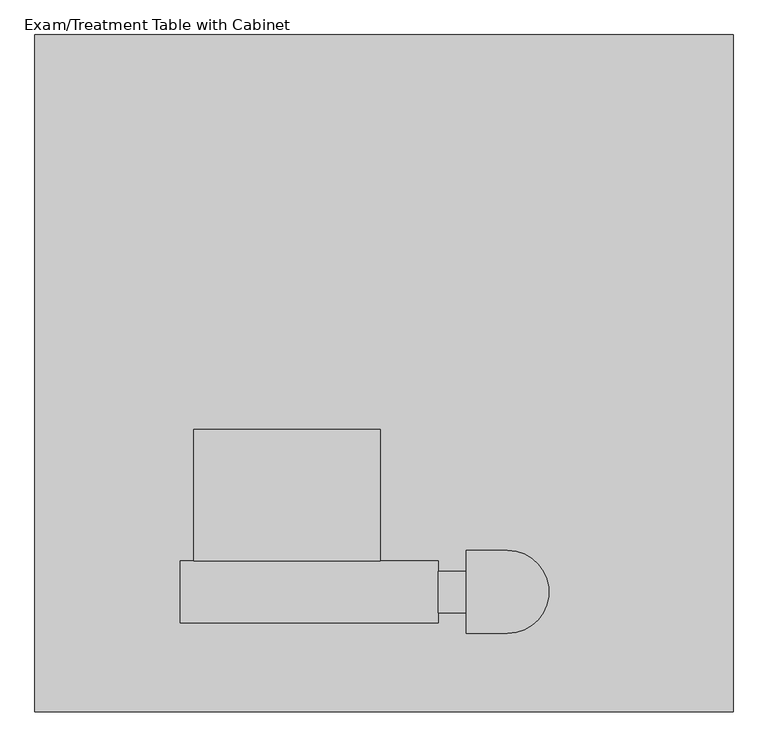
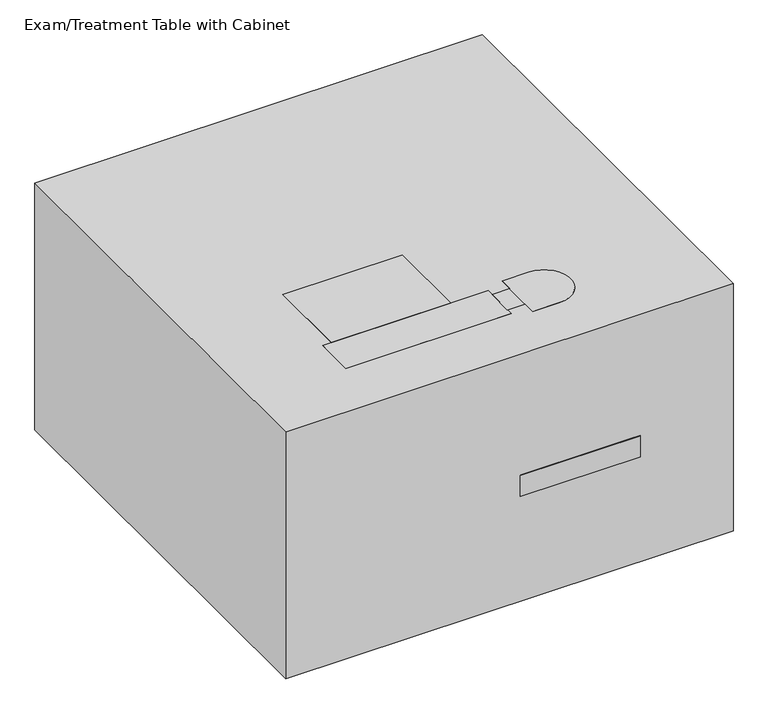
"""IFC4 building model written with IfcOpenShell, lengths in millimetres: proxy geometry, Exam/Treatment Table with Cabinet."""

from ifc_helpers import new_model, si_unit, point, frame, frame_2d, origin, origin_with_axes, place, context, project, spatial, polyline, circle_curve, trimmed, segment, composite_curve, outline, extrude, faceted_brep, source, transform, mapped, element, save


def exam_treatment_table_with_cabinet_3de70716(model_context):
    return source(origin(), model_context, "Body", "SolidModel", [
        faceted_brep([(-537.5197271, -809.3572424, 1127.107752), (-537.5197271, -859.9886234, 1127.107752), (-54.9197271, -859.9886234, 1127.107752), (-54.9197271, -809.3572424, 1127.107752), (-537.5197271, -809.3572424, 847.707752), (-54.9197271, -809.3572424, 847.707752), (-54.9197271, -859.9886234, 847.707752), (-537.5197271, -859.9886234, 847.707752), (-67.6197271, -859.9886234, 1114.407752), (-67.6197271, -859.9886234, 860.407752), (-524.8197271, -859.9886234, 860.407752), (-524.8197271, -859.9886234, 1114.407752), (-524.8197271, -855.202421, 1114.407752), (-67.6197271, -855.202421, 1114.407752), (-524.8197271, -855.202421, 860.407752), (-67.6197271, -855.202421, 860.407752)], [[[0, 1, 2, 3]], [[4, 5, 6, 7]], [[3, 5, 4, 0]], [[2, 6, 5, 3]], [[1, 7, 6, 2], [8, 9, 10, 11]], [[0, 4, 7, 1]], [[12, 13, 8, 11]], [[14, 10, 9, 15]], [[12, 14, 15, 13]], [[13, 15, 9, 8]], [[11, 10, 14, 12]]]),
        extrude(outline(polyline([(-1158.5229329, 708.007752), (-1006.1229329, 720.707752), (-1006.1229329, 695.307752), (-1158.5229329, 695.307752), (-1158.5229329, 708.007752)])), frame((-537.5197271, 0.0, 0.0), z_axis=(1.0, 0.0, 0.0), x_axis=(0.0, 1.0, 0.0)), (0.0, 0.0, 1.0), 482.6),
        faceted_brep([(-443.4415667, -942.6229329, 720.707752), (-443.4415667, -726.7229329, 720.707752), (-443.4415667, -726.7229329, 695.307752), (-443.4415667, -942.6229329, 695.307752), (-148.9978876, -726.7229329, 720.707752), (-148.9978876, -942.6229329, 720.707752), (-148.9978876, -942.6229329, 695.307752), (-148.9978876, -726.7229329, 695.307752), (-333.1882957, -745.8572424, 727.057752), (-259.2511585, -745.8572424, 727.057752), (-259.2511585, -745.8572424, 720.707752), (-333.1882957, -745.8572424, 720.707752), (-333.1882957, -745.8572424, 987.407752), (-259.2511585, -745.8572424, 987.407752), (-333.1882957, -809.3572424, 987.407752), (-259.2511585, -809.3572424, 987.407752), (-333.1882957, -809.3572424, 936.607752), (-259.2511585, -809.3572424, 936.607752), (-333.1882957, -771.2572424, 936.607752), (-259.2511585, -771.2572424, 936.607752), (-333.1882957, -771.2572424, 720.707752), (-259.2511585, -771.2572424, 720.707752)], [[[0, 1, 2, 3]], [[4, 5, 6, 7]], [[8, 9, 10, 11]], [[12, 13, 9, 8]], [[14, 15, 13, 12]], [[16, 17, 15, 14]], [[18, 19, 17, 16]], [[20, 21, 19, 18]], [[0, 5, 4, 1], [11, 10, 21, 20]], [[3, 6, 5, 0]], [[2, 7, 6, 3]], [[1, 4, 7, 2]], [[20, 18, 16, 14, 12, 8, 11]], [[10, 9, 13, 15, 17, 19, 21]]]),
        extrude(outline(polyline([(1498.6, -699.7212177), (0.0, -699.7212177), (0.0, 143.8602617), (558.8, 143.8602617), (558.8, -13.9212177), (1498.6, -13.9212177), (1498.6, -699.7212177)])), frame((0.0, -689.2200075, 0.0), z_axis=(0.0, 1.0, 0.0), x_axis=(0.0, 0.0, 1.0)), (0.0, 0.0, 1.0), 482.6),
        extrude(outline(composite_curve([segment(trimmed(circle_curve(frame_2d((-1099.3470294, 708.007752)), 12.7), [point((-1112.0470294, 708.007752))], [point((-1099.3470294, 720.707752))], False, "CARTESIAN"), True, "CONTINUOUS"), segment(polyline([(-1099.3470294, 720.707752), (-1061.2470294, 720.707752), (-1030.5788844, 712.4902474), (-1030.5788844, 695.307752), (-1112.0470294, 695.307752), (-1112.0470294, 708.007752)]), True, "CONTINUOUS")], self_intersect=False)), frame((-638.1969279, 0.0, 0.0), z_axis=(1.0, 0.0, 0.0), x_axis=(0.0, 1.0, 0.0)), (0.0, 0.0, 1.0), 50.8),
        extrude(outline(polyline([(744.511628, -461.554961), (744.511628, -474.254961), (739.757752, -474.254961), (739.757752, -471.1212177), (669.907752, -471.1212177), (669.907752, -474.254961), (660.4, -474.254961), (660.4, -461.554961), (669.907752, -461.554961), (669.907752, -464.6887043), (739.757752, -464.6887043), (739.757752, -461.554961), (744.511628, -461.554961)])), frame((0.0, -711.5954237, 0.0), z_axis=(0.0, 1.0, 0.0), x_axis=(0.0, 0.0, 1.0)), (0.0, 0.0, 1.0), 22.3754162),
        extrude(outline(polyline([(-474.254961, -965.3280091), (-474.254961, -711.5954237), (-461.554961, -711.5954237), (-461.554961, -965.3280091), (-474.254961, -965.3280091)])), frame((0.0, 0.0, 660.4), z_axis=(0.0, 0.0, 1.0), x_axis=(1.0, 0.0, 0.0)), (0.0, 0.0, 1.0), 9.507752),
        extrude(outline(polyline([(-252.0874744, -965.3280091), (-252.0874744, -711.5954237), (-239.3874744, -711.5954237), (-239.3874744, -965.3280091), (-252.0874744, -965.3280091)])), frame((0.0, 0.0, 660.4), z_axis=(0.0, 0.0, 1.0), x_axis=(1.0, 0.0, 0.0)), (0.0, 0.0, 1.0), 9.507752),
        extrude(outline(composite_curve([segment(polyline([(-547.3212177, -711.5954237), (-166.3212177, -711.5954237)]), True, "CONTINUOUS"), segment(trimmed(circle_curve(frame_2d((-166.3212177, -863.9954237)), 152.4), [point((-166.3212177, -711.5954237))], [point((-13.9212177, -863.9954237))], False, "CARTESIAN"), True, "CONTINUOUS"), segment(polyline([(-13.9212177, -863.9954237), (-13.9212177, -1082.3229329)]), True, "CONTINUOUS"), segment(trimmed(circle_curve(frame_2d((-90.1212177, -1082.3229329)), 76.2), [point((-13.9212177, -1082.3229329))], [point((-90.1212177, -1158.5229329))], False, "CARTESIAN"), True, "CONTINUOUS"), segment(polyline([(-90.1212177, -1158.5229329), (-623.5212177, -1158.5229329)]), True, "CONTINUOUS"), segment(trimmed(circle_curve(frame_2d((-623.5212177, -1082.3229329)), 76.2), [point((-623.5212177, -1158.5229329))], [point((-699.7212177, -1082.3229329))], False, "CARTESIAN"), True, "CONTINUOUS"), segment(polyline([(-699.7212177, -1082.3229329), (-699.7212177, -863.9954237)]), True, "CONTINUOUS"), segment(trimmed(circle_curve(frame_2d((-547.3212177, -863.9954237)), 152.4), [point((-699.7212177, -863.9954237))], [point((-547.3212177, -711.5954237))], False, "CARTESIAN"), True, "CONTINUOUS")], self_intersect=False)), frame((0.0, 0.0, 669.907752), z_axis=(0.0, 0.0, 1.0), x_axis=(1.0, 0.0, 0.0)), (0.0, 0.0, 1.0), 25.4),
        extrude(outline(polyline([(744.511628, -252.0874744), (739.757752, -252.0874744), (739.757752, -248.9537311), (669.907752, -248.9537311), (669.907752, -252.0874744), (660.4, -252.0874744), (660.4, -239.3874744), (669.907752, -239.3874744), (669.907752, -242.5212177), (739.757752, -242.5212177), (739.757752, -239.3874744), (744.511628, -239.3874744), (744.511628, -252.0874744)])), frame((0.0, -711.5954237, 0.0), z_axis=(0.0, 1.0, 0.0), x_axis=(0.0, 0.0, 1.0)), (0.0, 0.0, 1.0), 22.3754162),
        extrude(outline(polyline([(-572.2818803, -917.8200075), (-572.2818803, -943.2200075), (-648.4818803, -943.2200075), (-648.4818803, -917.8200075), (-572.2818803, -917.8200075)])), frame((0.0, 0.0, 1279.4425548), z_axis=(0.0, 0.0, 1.0), x_axis=(1.0, 0.0, 0.0)), (0.0, 0.0, 1.0), 25.4),
        extrude(outline(polyline([(-572.2818803, -917.8200075), (-572.2818803, -943.2200075), (-648.4818803, -943.2200075), (-648.4818803, -917.8200075), (-572.2818803, -917.8200075)])), frame((0.0, 0.0, 1342.9425548), z_axis=(0.0, 0.0, 1.0), x_axis=(1.0, 0.0, 0.0)), (0.0, 0.0, 1.0), 25.4),
        extrude(outline(polyline([(-572.2818803, -917.8200075), (-572.2818803, -943.2200075), (-648.4818803, -943.2200075), (-648.4818803, -917.8200075), (-572.2818803, -917.8200075)])), frame((0.0, 0.0, 1419.1425548), z_axis=(0.0, 0.0, 1.0), x_axis=(1.0, 0.0, 0.0)), (0.0, 0.0, 1.0), 25.4),
        extrude(outline(composite_curve([segment(trimmed(circle_curve(frame_2d((1297.0712607, -378.8889018)), 25.4), [point((1297.0712607, -404.2889018))], [point((1297.0712607, -353.4889018))], False, "CARTESIAN"), True, "CONTINUOUS"), segment(trimmed(circle_curve(frame_2d((1297.0712607, -378.8889018)), 25.4), [point((1297.0712607, -353.4889018))], [point((1297.0712607, -404.2889018))], False, "CARTESIAN"), True, "CONTINUOUS")], self_intersect=False)), frame((0.0, -943.2200075, 0.0), z_axis=(0.0, 1.0, 0.0), x_axis=(0.0, 0.0, 1.0)), (0.0, 0.0, 1.0), 25.4),
        extrude(outline(composite_curve([segment(trimmed(circle_curve(frame_2d((1297.0712607, -277.2889018)), 25.4), [point((1297.0712607, -302.6889018))], [point((1297.0712607, -251.8889018))], False, "CARTESIAN"), True, "CONTINUOUS"), segment(trimmed(circle_curve(frame_2d((1297.0712607, -277.2889018)), 25.4), [point((1297.0712607, -251.8889018))], [point((1297.0712607, -302.6889018))], False, "CARTESIAN"), True, "CONTINUOUS")], self_intersect=False)), frame((0.0, -943.2200075, 0.0), z_axis=(0.0, 1.0, 0.0), x_axis=(0.0, 0.0, 1.0)), (0.0, 0.0, 1.0), 25.4),
        extrude(outline(composite_curve([segment(trimmed(circle_curve(frame_2d((1297.0712607, -175.6889018)), 25.4), [point((1297.0712607, -201.0889018))], [point((1297.0712607, -150.2889018))], False, "CARTESIAN"), True, "CONTINUOUS"), segment(trimmed(circle_curve(frame_2d((1297.0712607, -175.6889018)), 25.4), [point((1297.0712607, -150.2889018))], [point((1297.0712607, -201.0889018))], False, "CARTESIAN"), True, "CONTINUOUS")], self_intersect=False)), frame((0.0, -943.2200075, 0.0), z_axis=(0.0, 1.0, 0.0), x_axis=(0.0, 0.0, 1.0)), (0.0, 0.0, 1.0), 25.4),
        extrude(outline(composite_curve([segment(polyline([(301.3815439, -955.9200075), (301.3815439, -803.5200075), (301.3815439, -651.1200075), (453.7815439, -651.1200075)]), True, "CONTINUOUS"), segment(trimmed(circle_curve(frame_2d((453.7815439, -803.5200075)), 152.4), [point((453.7815439, -651.1200075))], [point((453.7815439, -955.9200075))], False, "CARTESIAN"), True, "CONTINUOUS"), segment(polyline([(453.7815439, -955.9200075), (301.3815439, -955.9200075)]), True, "CONTINUOUS")], self_intersect=False)), frame((0.0, 0.0, 1193.8), z_axis=(0.0, 0.0, 1.0), x_axis=(1.0, 0.0, 0.0)), (0.0, 0.0, 1.0), 304.8),
        extrude(outline(polyline([(301.3815439, -879.7200075), (199.7815439, -879.7200075), (199.7815439, -727.3200075), (301.3815439, -727.3200075), (301.3815439, -879.7200075)])), frame((0.0, 0.0, 1193.8), z_axis=(0.0, 0.0, 1.0), x_axis=(1.0, 0.0, 0.0)), (0.0, 0.0, 1.0), 304.8),
        extrude(outline(polyline([(199.7815439, -689.2200075), (199.7815439, -917.8200075), (-749.3, -917.8200075), (-749.3, -689.2200075), (199.7815439, -689.2200075)])), frame((0.0, 0.0, 1193.8), z_axis=(0.0, 0.0, 1.0), x_axis=(1.0, 0.0, 0.0)), (0.0, 0.0, 1.0), 304.8),
        extrude(outline(polyline([(674.802826, 768.1668226), (674.802826, -1165.0645269), (143.8602617, -1165.0645269), (143.8602617, 768.1668226), (674.802826, 768.1668226)])), frame((0.0, 0.0, 558.8), z_axis=(0.0, 0.0, 1.0), x_axis=(1.0, 0.0, 0.0)), (0.0, 0.0, 1.0), 76.2),
        extrude(outline(composite_curve([segment(polyline([(-1244.6, 635.0), (-1244.6, 762.0)]), True, "CONTINUOUS"), segment(trimmed(circle_curve(frame_2d((-1193.8, 762.0)), 50.8), [point((-1244.6, 762.0))], [point((-1193.8, 812.8))], False, "CARTESIAN"), True, "CONTINUOUS"), segment(polyline([(-1193.8, 812.8), (-1094.9588363, 812.8)]), True, "CONTINUOUS"), segment(trimmed(circle_curve(frame_2d((-1094.9588363, 552.45)), 260.35), [point((-1094.9588363, 812.8))], [point((-998.2672737, 794.1789065))], False, "CARTESIAN"), True, "CONTINUOUS"), segment(polyline([(-998.2672737, 794.1789065), (-963.7420951, 780.3688351)]), True, "CONTINUOUS"), segment(trimmed(circle_curve(frame_2d((-868.3604054, 1018.8230592)), 256.8230592), [point((-963.7420951, 780.3688351))], [point((-868.3604054, 762.0))], True, "CARTESIAN"), True, "CONTINUOUS"), segment(polyline([(-868.3604054, 762.0), (863.9849904, 762.0)]), True, "CONTINUOUS"), segment(trimmed(circle_curve(frame_2d((863.9849904, 736.6)), 25.4), [point((863.9849904, 762.0))], [point((889.3849904, 736.6))], False, "CARTESIAN"), True, "CONTINUOUS"), segment(polyline([(889.3849904, 736.6), (889.3849904, 635.0), (-1244.6, 635.0)]), True, "CONTINUOUS")], self_intersect=False)), frame((63.5, 0.0, 0.0), z_axis=(1.0, 0.0, 0.0), x_axis=(0.0, 1.0, 0.0)), (0.0, 0.0, 1.0), 685.8),
        extrude(outline(polyline([(674.802826, -689.2200075), (143.8602617, -689.2200075), (143.8602617, 631.5799925), (674.802826, 631.5799925), (674.802826, -689.2200075)])), origin_with_axes(), (0.0, 0.0, 1.0), 558.8),
        extrude(outline(polyline([(1282.7, -1244.6), (-1282.7, -1244.6), (-1282.7, 1244.6), (1282.7, 1244.6), (1282.7, -1244.6)])), origin_with_axes(), (0.0, 0.0, 1.0), 1498.6),
    ])


if __name__ == "__main__":
    model = new_model("IFC4")
    model_context = context("Model", 3, world=origin())
    ifc_project = project(units=[si_unit("LENGTHUNIT", "METRE", prefix="MILLI")], contexts=[model_context])
    site = spatial("IfcSite", under=ifc_project)
    building = spatial("IfcBuilding", under=site)
    placement = place(None, origin())
    exam_treatment_table_with_cabinet_shape = exam_treatment_table_with_cabinet_3de70716(model_context)
    element("IfcBuildingElementProxy", 1, Name="Exam/Treatment Table with Cabinet", ObjectType="Exam/Treatment Table with Cabinet", at=placement, inside=building, context=model_context, shape_type="MappedRepresentation", body=[
        mapped(exam_treatment_table_with_cabinet_shape, transform((0.0, 0.0, 0.0), x_axis=(1.0, 0.0, 0.0), y_axis=(0.0, 1.0, 0.0), z_axis=(0.0, 0.0, 1.0))),
    ])
    save(model, "model.ifc")
